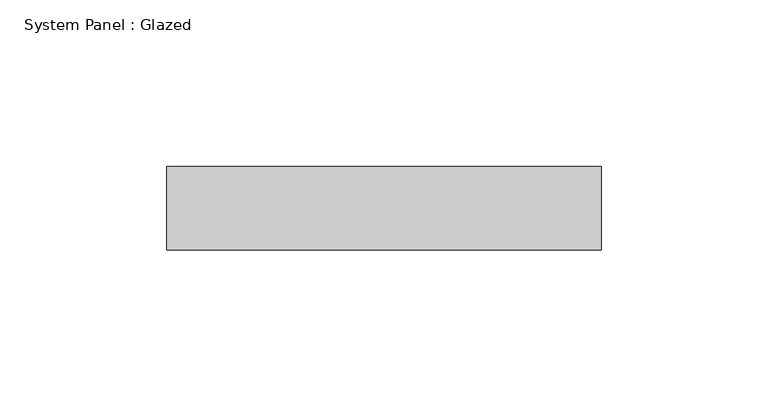
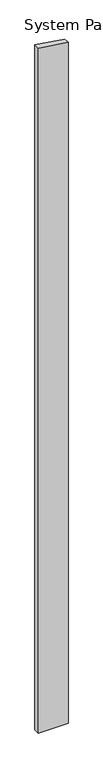
"""IFC4 building model written with IfcOpenShell, lengths in millimetres: plate geometry, System Panel : Glazed."""

from ifc_helpers import new_model, si_unit, frame, origin, place, context, project, spatial, polyline, outline, extrude, source, transform, mapped, element, save


def system_panel_glazed_94bd5965(model_context):
    return source(origin(), model_context, "Body", "SweptSolid", [
        extrude(outline(polyline([(0.0, -65.0), (0.0, 65.0), (3141.6443424, 65.0), (3160.8917026, -65.0), (0.0, -65.0)])), frame((0.0, 24.5, 0.0), z_axis=(0.0, 1.0, 0.0), x_axis=(0.0, 0.0, 1.0)), (0.0, 0.0, 1.0), 25.0),
    ])


if __name__ == "__main__":
    model = new_model("IFC4")
    model_context = context("Model", 3, world=origin())
    ifc_project = project(units=[si_unit("LENGTHUNIT", "METRE", prefix="MILLI")], contexts=[model_context])
    site = spatial("IfcSite", under=ifc_project)
    building = spatial("IfcBuilding", under=site)
    placement = place(None, origin())
    system_panel_glazed_shape = system_panel_glazed_94bd5965(model_context)
    element("IfcPlate", 1, ObjectType="System Panel : Glazed", at=placement, inside=building, context=model_context, shape_type="MappedRepresentation", body=[
        mapped(system_panel_glazed_shape, transform((0.0, 0.0, 0.0), x_axis=(1.0, 0.0, 0.0), y_axis=(0.0, 1.0, 0.0), z_axis=(0.0, 0.0, 1.0))),
    ])
    save(model, "model.ifc")
